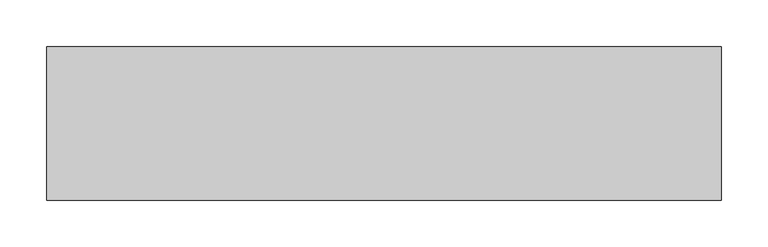
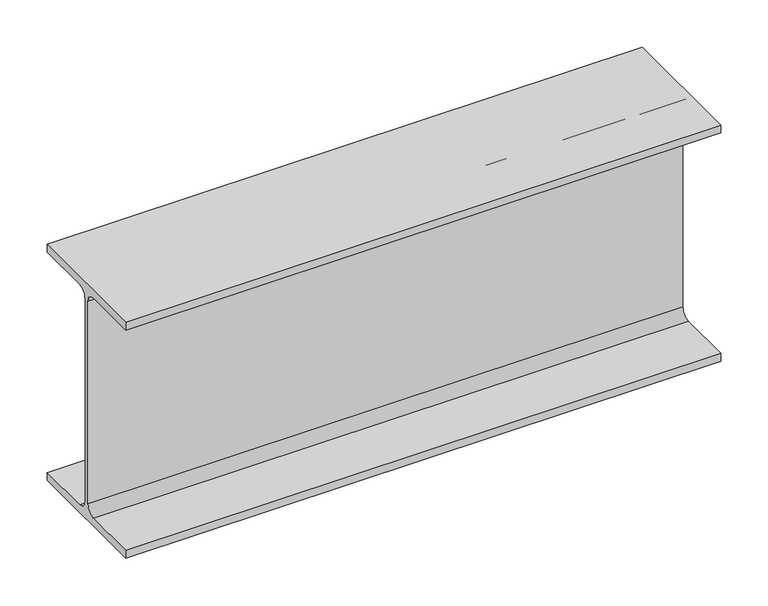
"""IFC4 building model written with IfcOpenShell, lengths in millimetres: beam geometry."""

from ifc_helpers import new_model, si_unit, point, frame, frame_2d, origin, place, context, project, spatial, polyline, circle_curve, trimmed, segment, composite_curve, outline, extrude, source, transform, mapped, element, save


def beam_312d066c(model_context):
    return source(origin(), model_context, "Body", "SweptSolid", [
        extrude(outline(composite_curve([segment(polyline([(82.5, -141.8), (82.5, -152.0), (-82.5, -152.0), (-82.5, -141.8), (-14.45, -141.8)]), True, "CONTINUOUS"), segment(trimmed(circle_curve(frame_2d((-14.45, -130.4)), 11.4), [point((-14.45, -141.8))], [point((-3.05, -130.4))], True, "CARTESIAN"), True, "CONTINUOUS"), segment(polyline([(-3.05, -130.4), (-3.05, 130.4)]), True, "CONTINUOUS"), segment(trimmed(circle_curve(frame_2d((-14.45, 130.4)), 11.4), [point((-3.05, 130.4))], [point((-14.45, 141.8))], True, "CARTESIAN"), True, "CONTINUOUS"), segment(polyline([(-14.45, 141.8), (-82.5, 141.8), (-82.5, 152.0), (82.5, 152.0), (82.5, 141.8), (14.45, 141.8)]), True, "CONTINUOUS"), segment(trimmed(circle_curve(frame_2d((14.45, 130.4)), 11.4), [point((14.45, 141.8))], [point((3.05, 130.4))], True, "CARTESIAN"), True, "CONTINUOUS"), segment(polyline([(3.05, 130.4), (3.05, -130.4)]), True, "CONTINUOUS"), segment(trimmed(circle_curve(frame_2d((14.45, -130.4)), 11.4), [point((3.05, -130.4))], [point((14.45, -141.8))], True, "CARTESIAN"), True, "CONTINUOUS"), segment(polyline([(14.45, -141.8), (82.5, -141.8)]), True, "CONTINUOUS")], self_intersect=False)), frame((-373.0, 0.0, 0.0), z_axis=(1.0, 0.0, 0.0), x_axis=(0.0, 1.0, 0.0)), (0.0, 0.0, 1.0), 725.0),
    ])


if __name__ == "__main__":
    model = new_model("IFC4")
    model_context = context("Model", 3, world=origin())
    ifc_project = project(units=[si_unit("LENGTHUNIT", "METRE", prefix="MILLI")], contexts=[model_context])
    site = spatial("IfcSite", under=ifc_project)
    building = spatial("IfcBuilding", under=site)
    placement = place(None, origin())
    beam_shape = beam_312d066c(model_context)
    element("IfcBeam", 1, at=placement, inside=building, context=model_context, shape_type="MappedRepresentation", body=[
        mapped(beam_shape, transform((0.0, 0.0, 0.0), x_axis=(1.0, 0.0, 0.0), y_axis=(0.0, 1.0, 0.0), z_axis=(0.0, 0.0, 1.0))),
    ])
    save(model, "model.ifc")
